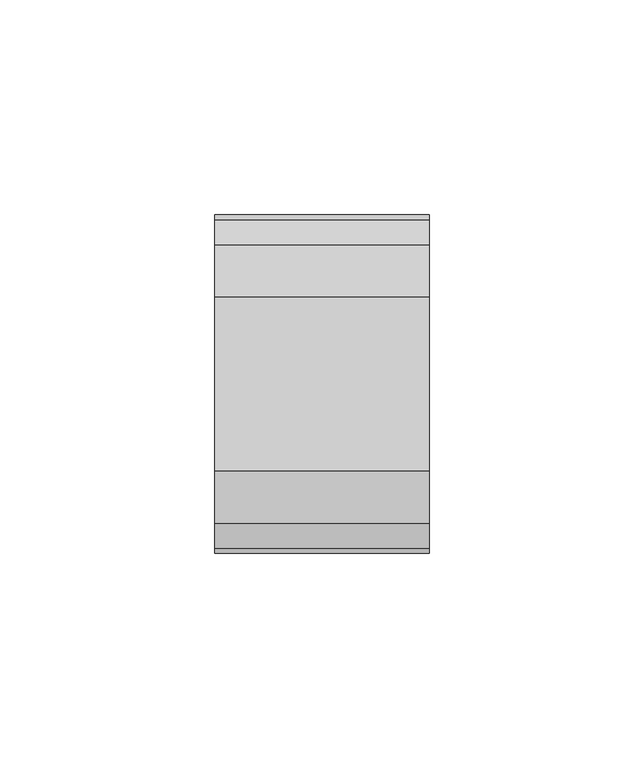
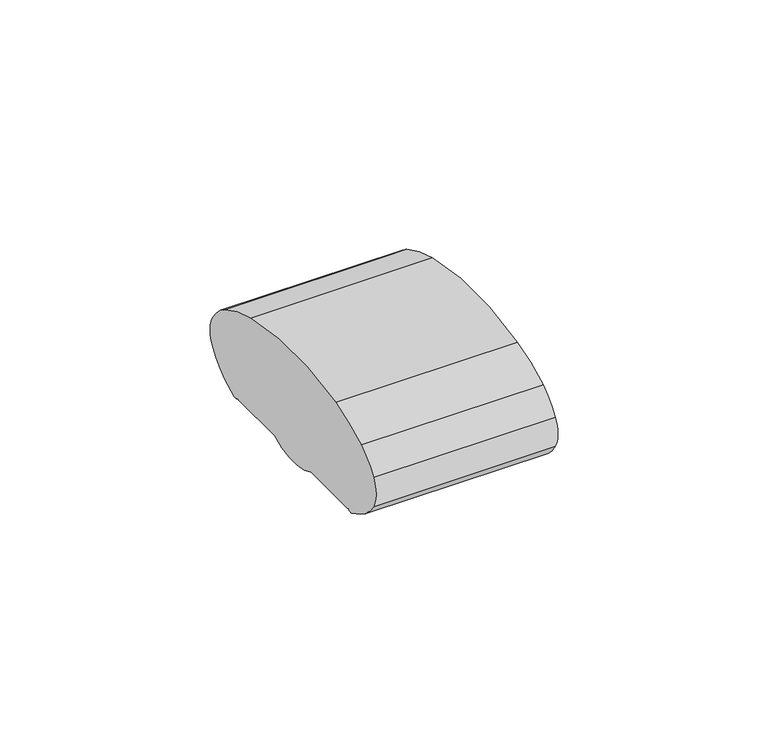
"""IFC4 building model written with IfcOpenShell, lengths in millimetres: railing geometry."""

from ifc_helpers import new_model, si_unit, point, frame, frame_2d, origin, place, context, project, spatial, polyline, circle_curve, trimmed, segment, composite_curve, outline, extrude, source, transform, mapped, element, save


def railing_3925823b(model_context):
    return source(origin(), model_context, "Body", "SweptSolid", [
        extrude(outline(composite_curve([segment(trimmed(circle_curve(frame_2d((7230.3619413, 1153.851602)), 44.999996), [point((7241.0673858, 1197.5596459))], [point((7253.2601573, 1192.5901015))], False, "CARTESIAN"), True, "CONTINUOUS"), segment(trimmed(circle_curve(frame_2d((7244.6097194, 1177.955556)), 17.0), [point((7253.2601573, 1192.5901015))], [point((7259.1544589, 1186.7561556))], False, "CARTESIAN"), True, "CONTINUOUS"), segment(trimmed(circle_curve(frame_2d((7252.0959826, 1182.4852765)), 8.2499997), [point((7259.1544589, 1186.7561556))], [point((7259.1544535, 1178.2143885))], False, "CARTESIAN"), True, "CONTINUOUS"), segment(trimmed(circle_curve(frame_2d((7244.6097251, 1187.0150065)), 17.0), [point((7259.1544535, 1178.2143885))], [point((7253.2601665, 1172.380463))], False, "CARTESIAN"), True, "CONTINUOUS"), segment(trimmed(circle_curve(frame_2d((7230.3619413, 1211.1189571)), 44.999996), [point((7253.2601665, 1172.380463))], [point((7248.7876029, 1170.064181))], False, "CARTESIAN"), True, "CONTINUOUS"), segment(trimmed(circle_curve(frame_2d((7248.1786159, 1172.1635324)), 2.185896), [point((7248.7876029, 1170.064181))], [point((7247.9960148, 1169.9852766))], False, "CARTESIAN"), True, "CONTINUOUS"), segment(trimmed(circle_curve(frame_2d((7247.9960148, 1170.8852766)), 0.9), [point((7247.9960148, 1169.9852766))], [point((7247.0981091, 1170.8239135))], False, "CARTESIAN"), True, "CONTINUOUS"), segment(trimmed(circle_curve(frame_2d((7246.5194733, 1170.8239135)), 0.5786359), [point((7247.0981091, 1170.8239135))], [point((7246.5194733, 1170.2452777))], False, "CARTESIAN"), True, "CONTINUOUS"), segment(polyline([(7246.5194733, 1170.2452777), (7229.5751393, 1170.2452777)]), True, "CONTINUOUS"), segment(trimmed(circle_curve(frame_2d((7220.8508208, 1187.1238497)), 18.999998), [point((7229.5751393, 1170.2452777))], [point((7212.1265024, 1170.2452777))], False, "CARTESIAN"), True, "CONTINUOUS"), segment(polyline([(7212.1265024, 1170.2452777), (7195.1821348, 1170.2452777)]), True, "CONTINUOUS"), segment(trimmed(circle_curve(frame_2d((7195.1821348, 1170.8239135)), 0.5786359), [point((7195.1821348, 1170.2452777))], [point((7194.603499, 1170.8239135))], False, "CARTESIAN"), True, "CONTINUOUS"), segment(trimmed(circle_curve(frame_2d((7193.7055933, 1170.8852766)), 0.9), [point((7194.603499, 1170.8239135))], [point((7193.7055933, 1169.9852766))], False, "CARTESIAN"), True, "CONTINUOUS"), segment(trimmed(circle_curve(frame_2d((7193.5229922, 1172.1635324)), 2.185896), [point((7193.7055933, 1169.9852766))], [point((7192.9140052, 1170.064181))], False, "CARTESIAN"), True, "CONTINUOUS"), segment(trimmed(circle_curve(frame_2d((7211.3396668, 1211.1189571)), 44.999996), [point((7192.9140052, 1170.064181))], [point((7188.8767914, 1172.1264081))], False, "CARTESIAN"), True, "CONTINUOUS"), segment(trimmed(circle_curve(frame_2d((7197.082215, 1187.0150288)), 17.0), [point((7188.8767914, 1172.1264081))], [point((7182.5375128, 1178.2143675))], False, "CARTESIAN"), True, "CONTINUOUS"), segment(trimmed(circle_curve(frame_2d((7189.595971, 1182.4852765)), 8.2499997), [point((7182.5375128, 1178.2143675))], [point((7182.5375074, 1186.7561766))], False, "CARTESIAN"), True, "CONTINUOUS"), segment(trimmed(circle_curve(frame_2d((7197.0822207, 1177.9555337)), 17.0), [point((7182.5375074, 1186.7561766))], [point((7188.4317599, 1192.5900657))], False, "CARTESIAN"), True, "CONTINUOUS"), segment(trimmed(circle_curve(frame_2d((7211.3300365, 1153.851602)), 44.999996), [point((7188.4317599, 1192.5900657))], [point((7200.624592, 1197.5596459))], False, "CARTESIAN"), True, "CONTINUOUS"), segment(trimmed(circle_curve(frame_2d((7220.8459889, 1115.0000001)), 85.0), [point((7200.624592, 1197.5596459))], [point((7241.0673858, 1197.5596459))], False, "CARTESIAN"), True, "CONTINUOUS")], self_intersect=False)), frame((3621.3946838, 0.0, 0.0), z_axis=(1.0, 0.0, 0.0), x_axis=(0.0, 1.0, 0.0)), (0.0, 0.0, 1.0), 50.0),
    ])


if __name__ == "__main__":
    model = new_model("IFC4")
    model_context = context("Model", 3, world=origin())
    ifc_project = project(units=[si_unit("LENGTHUNIT", "METRE", prefix="MILLI")], contexts=[model_context])
    site = spatial("IfcSite", under=ifc_project)
    building = spatial("IfcBuilding", under=site)
    placement = place(None, origin())
    railing_shape = railing_3925823b(model_context)
    element("IfcRailing", 1, at=placement, inside=building, context=model_context, shape_type="MappedRepresentation", body=[
        mapped(railing_shape, transform((0.0, 0.0, 0.0), x_axis=(1.0, 0.0, 0.0), y_axis=(0.0, 1.0, 0.0), z_axis=(0.0, 0.0, 1.0))),
    ])
    save(model, "model.ifc")
